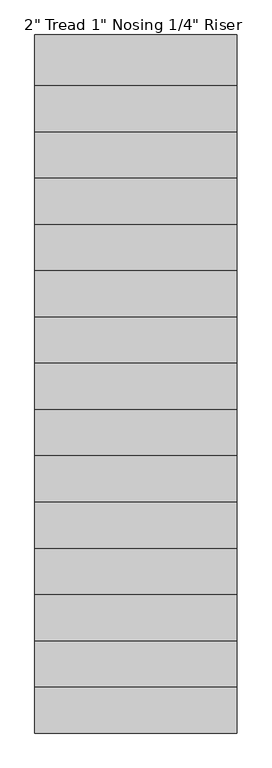
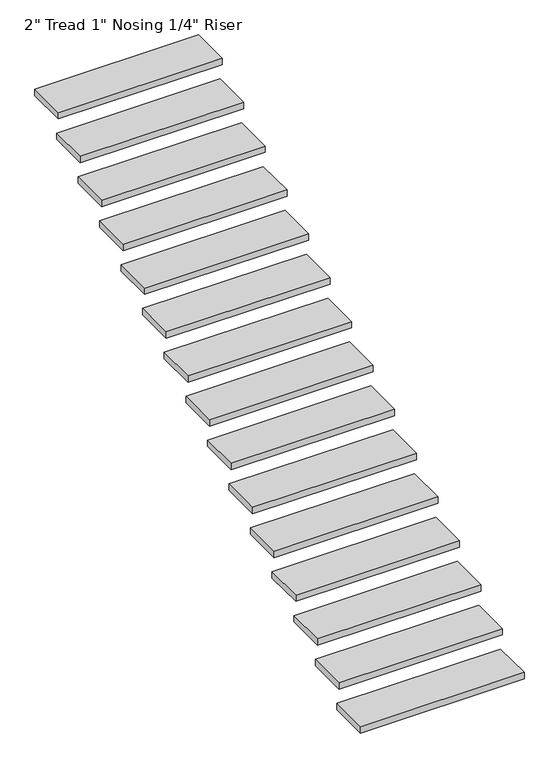
"""IFC4 building model written with IfcOpenShell, lengths in millimetres: stair flight geometry."""

from ifc_helpers import new_model, si_unit, frame, origin, place, context, project, spatial, polyline, outline, extrude, source, transform, mapped, element, save


def stair_flight_967ec0c5(model_context):
    return source(origin(), model_context, "Body", "SweptSolid", [
        extrude(outline(polyline([(-11910.0610594, -1281.5805109), (-10686.7119743, -1281.5805109), (-10686.7119743, -1586.3805109), (-11910.0610594, -1586.3805109), (-11910.0610594, -1281.5805109)])), frame((0.0, 0.0, -13983.49375), z_axis=(0.0, 0.0, 1.0), x_axis=(1.0, 0.0, 0.0)), (0.0, 0.0, 1.0), 50.8),
        extrude(outline(polyline([(-11910.0610594, -1002.1805109), (-10686.7119743, -1002.1805109), (-10686.7119743, -1306.9805109), (-11910.0610594, -1306.9805109), (-11910.0610594, -1002.1805109)])), frame((0.0, 0.0, -13806.4875), z_axis=(0.0, 0.0, 1.0), x_axis=(1.0, 0.0, 0.0)), (0.0, 0.0, 1.0), 50.8),
        extrude(outline(polyline([(-11910.0610594, -722.7805109), (-10686.7119743, -722.7805109), (-10686.7119743, -1027.5805109), (-11910.0610594, -1027.5805109), (-11910.0610594, -722.7805109)])), frame((0.0, 0.0, -13629.48125), z_axis=(0.0, 0.0, 1.0), x_axis=(1.0, 0.0, 0.0)), (0.0, 0.0, 1.0), 50.8),
        extrude(outline(polyline([(-11910.0610594, -443.3805109), (-10686.7119743, -443.3805109), (-10686.7119743, -748.1805109), (-11910.0610594, -748.1805109), (-11910.0610594, -443.3805109)])), frame((0.0, 0.0, -13452.475), z_axis=(0.0, 0.0, 1.0), x_axis=(1.0, 0.0, 0.0)), (0.0, 0.0, 1.0), 50.8),
        extrude(outline(polyline([(-11910.0610594, -163.9805109), (-10686.7119743, -163.9805109), (-10686.7119743, -468.7805109), (-11910.0610594, -468.7805109), (-11910.0610594, -163.9805109)])), frame((0.0, 0.0, -13275.46875), z_axis=(0.0, 0.0, 1.0), x_axis=(1.0, 0.0, 0.0)), (0.0, 0.0, 1.0), 50.8),
        extrude(outline(polyline([(-11910.0610594, 115.4194891), (-10686.7119743, 115.4194891), (-10686.7119743, -189.3805109), (-11910.0610594, -189.3805109), (-11910.0610594, 115.4194891)])), frame((0.0, 0.0, -13098.4625), z_axis=(0.0, 0.0, 1.0), x_axis=(1.0, 0.0, 0.0)), (0.0, 0.0, 1.0), 50.8),
        extrude(outline(polyline([(-11910.0610594, 394.8194891), (-10686.7119743, 394.8194891), (-10686.7119743, 90.0194891), (-11910.0610594, 90.0194891), (-11910.0610594, 394.8194891)])), frame((0.0, 0.0, -12921.45625), z_axis=(0.0, 0.0, 1.0), x_axis=(1.0, 0.0, 0.0)), (0.0, 0.0, 1.0), 50.8),
        extrude(outline(polyline([(-11910.0610594, 674.2194891), (-10686.7119743, 674.2194891), (-10686.7119743, 369.4194891), (-11910.0610594, 369.4194891), (-11910.0610594, 674.2194891)])), frame((0.0, 0.0, -12744.45), z_axis=(0.0, 0.0, 1.0), x_axis=(1.0, 0.0, 0.0)), (0.0, 0.0, 1.0), 50.8),
        extrude(outline(polyline([(-11910.0610594, 953.6194891), (-10686.7119743, 953.6194891), (-10686.7119743, 648.8194891), (-11910.0610594, 648.8194891), (-11910.0610594, 953.6194891)])), frame((0.0, 0.0, -12567.44375), z_axis=(0.0, 0.0, 1.0), x_axis=(1.0, 0.0, 0.0)), (0.0, 0.0, 1.0), 50.8),
        extrude(outline(polyline([(-11910.0610594, 1233.0194891), (-10686.7119743, 1233.0194891), (-10686.7119743, 928.2194891), (-11910.0610594, 928.2194891), (-11910.0610594, 1233.0194891)])), frame((0.0, 0.0, -12390.4375), z_axis=(0.0, 0.0, 1.0), x_axis=(1.0, 0.0, 0.0)), (0.0, 0.0, 1.0), 50.8),
        extrude(outline(polyline([(-11910.0610594, 1512.4194891), (-10686.7119743, 1512.4194891), (-10686.7119743, 1207.6194891), (-11910.0610594, 1207.6194891), (-11910.0610594, 1512.4194891)])), frame((0.0, 0.0, -12213.43125), z_axis=(0.0, 0.0, 1.0), x_axis=(1.0, 0.0, 0.0)), (0.0, 0.0, 1.0), 50.8),
        extrude(outline(polyline([(-11910.0610594, 1791.8194891), (-10686.7119743, 1791.8194891), (-10686.7119743, 1487.0194891), (-11910.0610594, 1487.0194891), (-11910.0610594, 1791.8194891)])), frame((0.0, 0.0, -12036.425), z_axis=(0.0, 0.0, 1.0), x_axis=(1.0, 0.0, 0.0)), (0.0, 0.0, 1.0), 50.8),
        extrude(outline(polyline([(-11910.0610594, 2071.2194891), (-10686.7119743, 2071.2194891), (-10686.7119743, 1766.4194891), (-11910.0610594, 1766.4194891), (-11910.0610594, 2071.2194891)])), frame((0.0, 0.0, -11859.41875), z_axis=(0.0, 0.0, 1.0), x_axis=(1.0, 0.0, 0.0)), (0.0, 0.0, 1.0), 50.8),
        extrude(outline(polyline([(-11910.0610594, 2350.6194891), (-10686.7119743, 2350.6194891), (-10686.7119743, 2045.8194891), (-11910.0610594, 2045.8194891), (-11910.0610594, 2350.6194891)])), frame((0.0, 0.0, -11682.4125), z_axis=(0.0, 0.0, 1.0), x_axis=(1.0, 0.0, 0.0)), (0.0, 0.0, 1.0), 50.8),
        extrude(outline(polyline([(-11910.0610594, 2630.0194891), (-10686.7119743, 2630.0194891), (-10686.7119743, 2325.2194891), (-11910.0610594, 2325.2194891), (-11910.0610594, 2630.0194891)])), frame((0.0, 0.0, -11505.40625), z_axis=(0.0, 0.0, 1.0), x_axis=(1.0, 0.0, 0.0)), (0.0, 0.0, 1.0), 50.8),
    ])


if __name__ == "__main__":
    model = new_model("IFC4")
    model_context = context("Model", 3, world=origin())
    ifc_project = project(units=[si_unit("LENGTHUNIT", "METRE", prefix="MILLI")], contexts=[model_context])
    site = spatial("IfcSite", under=ifc_project)
    building = spatial("IfcBuilding", under=site)
    placement = place(None, origin())
    stair_flight_shape = stair_flight_967ec0c5(model_context)
    element("IfcStairFlight", 1, ObjectType="2\" Tread 1\" Nosing 1/4\" Riser", at=placement, inside=building, context=model_context, shape_type="MappedRepresentation", body=[
        mapped(stair_flight_shape, transform((0.0, 0.0, 0.0), x_axis=(1.0, 0.0, 0.0), y_axis=(0.0, 1.0, 0.0), z_axis=(0.0, 0.0, 1.0))),
    ])
    save(model, "model.ifc")
